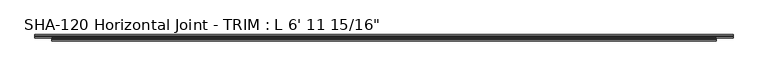
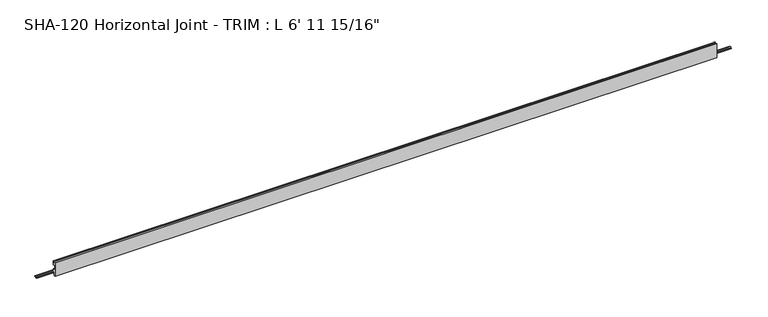
"""IFC4 building model written with IfcOpenShell, lengths in millimetres: proxy geometry."""

from ifc_helpers import new_model, si_unit, frame, origin, place, context, project, spatial, polyline, circle_curve, source, transform, mapped, element, save
from ifc_brep_helpers import plane_surface, cylinder_surface, revolved_surface, advanced_brep


def proxy_961349db(model_context):
    return source(origin(), model_context, "Body", "AdvancedBrep", [
        advanced_brep(
        [(2132.0125, -10.5641724, -14.5120878), (2132.0125, -10.5641724, -16.0868881), (2132.0125, -7.5495099, -16.0868881), (2132.0125, -4.3999099, -16.0868881), (2132.0125, -1.0391724, -16.0868881), (2132.0125, -1.0391724, -14.5120878), (2132.0125, -4.3999099, -14.5120878), (2132.0125, -7.5495099, -14.5120878), (0.0, -10.5641724, -16.0868881), (0.0, -10.5641724, -14.5120878), (0.0, -7.5495099, -14.5120878), (0.0, -4.3999099, -14.5120878), (0.0, -1.0391724, -14.5120878), (0.0, -1.0391724, -16.0868881), (0.0, -4.3999099, -16.0868881), (0.0, -7.5495099, -16.0868881), (2081.2125, -12.8855416, 21.9656491), (2081.2125, -11.756868, 22.4248425), (2081.2125, -10.5641724, 21.8995653), (50.8, -10.5641724, 21.8995653), (50.8, -11.756868, 22.4248425), (50.8, -12.8855416, 21.9656491), (2081.2125, -10.5641724, 9.8147622), (50.8, -10.5641724, 9.8147622), (2081.2125, -17.2443724, 9.8147622), (50.8, -17.2443724, 9.8147622), (2081.2125, -18.5143724, 8.5447622), (50.8, -18.5143724, 8.5447622), (2081.2125, -18.5143724, -4.3266878), (50.8, -18.5143724, -4.3266878), (2081.2125, -10.5664, -4.3266878), (50.8, -10.5664, -4.3266878), (2081.2125, -10.5664, -14.5120878), (50.8, -10.5664, -14.5120878), (2081.2125, -10.5641724, -16.0868881), (50.8, -10.5664, -16.0868881), (2081.2125, -10.5664, -17.6616881), (50.8, -10.5664, -17.6616881), (2081.2125, -12.8070246, -17.6616881), (50.8, -12.8070246, -17.6616881), (2081.2125, -14.7028353, -6.590154), (50.8, -14.7028353, -6.590154), (2081.2125, -16.9116736, -6.590154), (50.8, -16.9116736, -6.590154), (2081.2125, -16.9116736, -22.4241878), (50.8, -16.9116736, -22.4241878), (2081.2125, -20.0891724, -22.4241878), (50.8, -20.0891724, -22.4241878), (2081.2125, -20.0891724, 22.4241878), (50.8, -20.0891724, 22.4241878), (2081.2125, -16.9116736, 22.4241878), (50.8, -16.9116736, 22.4241878), (2081.2125, -16.9116736, 11.3895622), (50.8, -16.9116736, 11.3895622), (2081.2125, -14.6965154, 11.3895622), (50.8, -14.6965154, 11.3895622)],
        [
            (0, 1),
            (1, 2),
            (2, 3, circle_curve(frame((2132.0125, -5.9747099, -16.0868881), z_axis=(1.0, 0.0, 0.0), x_axis=(0.0, -1.0, 0.0)), 1.5748)),
            (3, 4),
            (4, 5),
            (5, 6),
            (6, 7, circle_curve(frame((2132.0125, -5.9747099, -14.5120878), z_axis=(1.0, 0.0, 0.0), x_axis=(0.0, -1.0, 0.0)), 1.5748)),
            (7, 0),
            (8, 9),
            (9, 10),
            (10, 11, circle_curve(frame((0.0, -5.9747099, -14.5120878), z_axis=(-1.0, 0.0, 0.0), x_axis=(0.0, -1.0, 0.0)), 1.5748)),
            (11, 12),
            (12, 13),
            (13, 14),
            (14, 15, circle_curve(frame((0.0, -5.9747099, -16.0868881), z_axis=(-1.0, 0.0, 0.0), x_axis=(0.0, -1.0, 0.0)), 1.5748)),
            (15, 8),
            (16, 17, circle_curve(frame((2081.2125, -11.756868, 20.808135), z_axis=(-1.0, 0.0, 0.0), x_axis=(0.0, -1.0, 0.0)), 1.6167075)),
            (17, 18, circle_curve(frame((2081.2125, -11.756868, 20.808135), z_axis=(-1.0, 0.0, 0.0), x_axis=(0.0, -1.0, 0.0)), 1.6167075)),
            (18, 19),
            (19, 20, circle_curve(frame((50.8, -11.756868, 20.808135), z_axis=(1.0, 0.0, 0.0), x_axis=(0.0, -1.0, 0.0)), 1.6167075)),
            (20, 21, circle_curve(frame((50.8, -11.756868, 20.808135), z_axis=(1.0, 0.0, 0.0), x_axis=(0.0, -1.0, 0.0)), 1.6167075)),
            (21, 16),
            (18, 22),
            (22, 23),
            (23, 19),
            (22, 24),
            (24, 25),
            (25, 23),
            (24, 26, circle_curve(frame((2081.2125, -17.2443724, 8.5447622), z_axis=(1.0, 0.0, 0.0), x_axis=(0.0, -1.0, 0.0)), 1.27)),
            (26, 27),
            (27, 25, circle_curve(frame((50.8, -17.2443724, 8.5447622), z_axis=(-1.0, 0.0, 0.0), x_axis=(0.0, -1.0, 0.0)), 1.27)),
            (26, 28),
            (28, 29),
            (29, 27),
            (28, 30),
            (30, 31),
            (31, 29),
            (30, 32),
            (32, 33),
            (33, 31),
            (7, 10),
            (9, 33),
            (32, 0),
            (6, 11),
            (5, 12),
            (4, 13),
            (3, 14),
            (2, 15),
            (1, 34),
            (34, 35),
            (35, 8),
            (34, 36),
            (36, 37),
            (37, 35),
            (36, 38),
            (38, 39),
            (39, 37),
            (38, 40),
            (40, 41),
            (41, 39),
            (40, 42),
            (42, 43),
            (43, 41),
            (42, 44),
            (44, 45),
            (45, 43),
            (44, 46),
            (46, 47),
            (47, 45),
            (46, 48),
            (48, 49),
            (49, 47),
            (48, 50),
            (50, 51),
            (51, 49),
            (50, 52),
            (52, 53),
            (53, 51),
            (52, 54),
            (54, 55),
            (55, 53),
            (21, 55),
            (54, 16),
            (35, 33),
            (32, 34),
        ],
        [
            plane_surface(frame((2132.0125, -13.3735755, 20.808135), z_axis=(1.0, 0.0, 0.0), x_axis=(0.0, 0.0, 1.0))),
            plane_surface(frame((0.0, -13.3735755, 20.808135), z_axis=(-1.0, 0.0, 0.0), x_axis=(0.0, 0.0, -1.0))),
            cylinder_surface(frame((0.0, -11.756868, 20.808135), z_axis=(1.0, 0.0, 0.0), x_axis=(0.0, -1.0, 0.0)), 1.6167075),
            plane_surface(frame((2132.0125, -10.5641724, 21.8995653), z_axis=(0.0, 1.0, 0.0), x_axis=(-1.0, 0.0, 0.0))),
            plane_surface(frame((2132.0125, -10.5641724, 9.8147622), z_axis=(0.0, 0.0, -1.0), x_axis=(-1.0, 0.0, 0.0))),
            revolved_surface(polyline([(50.8, -18.5143724, 8.5447622), (2081.2125, -18.5143724, 8.5447622)]), (0.0, -17.2443724, 8.5447622), (-1.0, 0.0, 0.0)),
            plane_surface(frame((2132.0125, -18.5143724, 8.5447622), z_axis=(0.0, 1.0, 0.0), x_axis=(-1.0, 0.0, 0.0))),
            plane_surface(frame((2132.0125, -18.5143724, -4.3266878), z_axis=(0.0, 0.0, 1.0), x_axis=(-1.0, 0.0, 0.0))),
            plane_surface(frame((2132.0125, -10.5664, -4.3266878), z_axis=(0.0, 1.0, 0.0), x_axis=(-1.0, 0.0, 0.0))),
            plane_surface(frame((2132.0125, -10.5664, -14.5120878), z_axis=(0.0, 0.0, 1.0), x_axis=(-1.0, 0.0, 0.0))),
            cylinder_surface(frame((0.0, -5.9747099, -14.5120878), z_axis=(1.0, 0.0, 0.0), x_axis=(0.0, -1.0, 0.0)), 1.5748),
            plane_surface(frame((2132.0125, -4.3999099, -14.5120878), z_axis=(0.0, 0.0, 1.0), x_axis=(-1.0, 0.0, 0.0))),
            plane_surface(frame((2132.0125, -1.0391724, -14.5120878), z_axis=(0.0, 1.0, 0.0), x_axis=(-1.0, 0.0, 0.0))),
            plane_surface(frame((2132.0125, -1.0391724, -16.0868881), z_axis=(0.0, 0.0, -1.0), x_axis=(-1.0, 0.0, 0.0))),
            cylinder_surface(frame((0.0, -5.9747099, -16.0868881), z_axis=(1.0, 0.0, 0.0), x_axis=(0.0, -1.0, 0.0)), 1.5748),
            plane_surface(frame((2132.0125, -7.5495099, -16.0868881), z_axis=(0.0, 0.0, -1.0), x_axis=(-1.0, 0.0, 0.0))),
            plane_surface(frame((2132.0125, -10.5664, -16.0868881), z_axis=(0.0, 1.0, 0.0), x_axis=(-1.0, 0.0, 0.0))),
            plane_surface(frame((2132.0125, -10.5664, -17.6616881), z_axis=(0.0, 1.2686311474070984e-12, -1.0), x_axis=(-1.0, 0.0, 0.0))),
            plane_surface(frame((2132.0125, -12.8070246, -17.6616881), z_axis=(0.0, -0.9856543593992835, -0.1687764314031673), x_axis=(-1.0, 0.0, 0.0))),
            plane_surface(frame((2132.0125, -14.7028353, -6.590154), z_axis=(0.0, 0.0, -1.0), x_axis=(-1.0, 0.0, 0.0))),
            plane_surface(frame((2132.0125, -16.9116736, -6.590154), z_axis=(0.0, 1.0, 0.0), x_axis=(-1.0, 0.0, 0.0))),
            plane_surface(frame((2132.0125, -16.9116736, -22.4241878), z_axis=(0.0, 0.0, -1.0), x_axis=(-1.0, 0.0, 0.0))),
            plane_surface(frame((2132.0125, -20.0891724, -22.4241878), z_axis=(0.0, -1.0, 0.0), x_axis=(-1.0, 0.0, 0.0))),
            plane_surface(frame((2132.0125, -20.0891724, 22.4241878), z_axis=(0.0, 0.0, 1.0), x_axis=(-1.0, 0.0, 0.0))),
            plane_surface(frame((2132.0125, -16.9116736, 22.4241878), z_axis=(0.0, 1.0, 0.0), x_axis=(-1.0, 0.0, 0.0))),
            plane_surface(frame((2132.0125, -16.9116736, 11.3895622), z_axis=(0.0, 0.0, 1.0), x_axis=(-1.0, 0.0, 0.0))),
            plane_surface(frame((2132.0125, -14.6965154, 11.3895622), z_axis=(0.0, -0.9856543593990678, 0.16877643140442766), x_axis=(-1.0, 0.0, 0.0))),
            plane_surface(frame((2081.2125, -10.5641724, 22.4248425), z_axis=(0.0, -1.0, 0.0), x_axis=(0.0, 0.0, -1.0))),
            plane_surface(frame((2081.2125, -10.5641724, 22.4248425), z_axis=(1.0, 0.0, 0.0), x_axis=(0.0, -1.0, 0.0))),
            plane_surface(frame((50.8, -10.5641724, -22.4241878), z_axis=(-1.0, 0.0, 0.0), x_axis=(0.0, -1.0, 0.0))),
        ],
        [
            (0, [[1, 2, 3, 4, 5, 6, 7, 8]]),
            (1, [[9, 10, 11, 12, 13, 14, 15, 16]]),
            (2, [[17, 18, 19, 20, 21, 22]]),
            (3, [[23, 24, 25, -19]]),
            (4, [[26, 27, 28, -24]]),
            (5, [[29, 30, 31, -27]]),
            (6, [[32, 33, 34, -30]]),
            (7, [[35, 36, 37, -33]]),
            (8, [[38, 39, 40, -36]]),
            (9, [[41, -10, 42, -39, 43, -8]]),
            (10, [[44, -11, -41, -7]]),
            (11, [[45, -12, -44, -6]]),
            (12, [[46, -13, -45, -5]]),
            (13, [[47, -14, -46, -4]]),
            (14, [[48, -15, -47, -3]]),
            (15, [[49, 50, 51, -16, -48, -2]]),
            (16, [[52, 53, 54, -50]]),
            (17, [[55, 56, 57, -53]]),
            (18, [[58, 59, 60, -56]]),
            (19, [[61, 62, 63, -59]]),
            (20, [[64, 65, 66, -62]]),
            (21, [[67, 68, 69, -65]]),
            (22, [[70, 71, 72, -68]]),
            (23, [[73, 74, 75, -71]]),
            (24, [[76, 77, 78, -74]]),
            (25, [[79, 80, 81, -77]]),
            (26, [[82, -80, 83, -22]]),
            (27, [[-42, -9, -51, 84]]),
            (27, [[-49, -1, -43, 85]]),
            (28, [[-38, -35, -32, -29, -26, -23, -18, -17, -83, -79, -76, -73, -70, -67, -64, -61, -58, -55, -52, -85]]),
            (29, [[-54, -57, -60, -63, -66, -69, -72, -75, -78, -81, -82, -21, -20, -25, -28, -31, -34, -37, -40, -84]]),
        ],
    ),
    ])


if __name__ == "__main__":
    model = new_model("IFC4")
    model_context = context("Model", 3, world=origin())
    ifc_project = project(units=[si_unit("LENGTHUNIT", "METRE", prefix="MILLI")], contexts=[model_context])
    site = spatial("IfcSite", under=ifc_project)
    building = spatial("IfcBuilding", under=site)
    placement = place(None, origin())
    proxy_shape = proxy_961349db(model_context)
    element("IfcBuildingElementProxy", 1, Name="SHA-120 Horizontal Joint - TRIM : L 6' 11 15/16\"", ObjectType="SHA-120 Horizontal Joint - TRIM : L 6' 11 15/16\"", at=placement, inside=building, context=model_context, shape_type="MappedRepresentation", body=[
        mapped(proxy_shape, transform((0.0, 0.0, 0.0), x_axis=(1.0, 0.0, 0.0), y_axis=(0.0, 1.0, 0.0), z_axis=(0.0, 0.0, 1.0))),
    ])
    save(model, "model.ifc")
